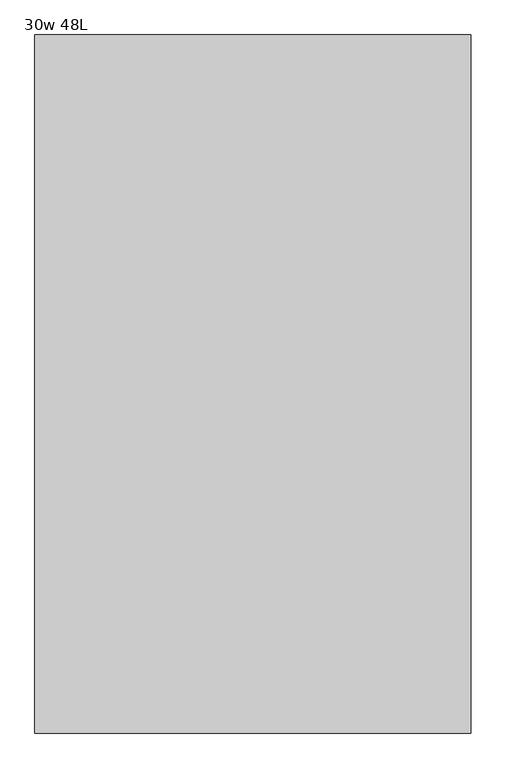
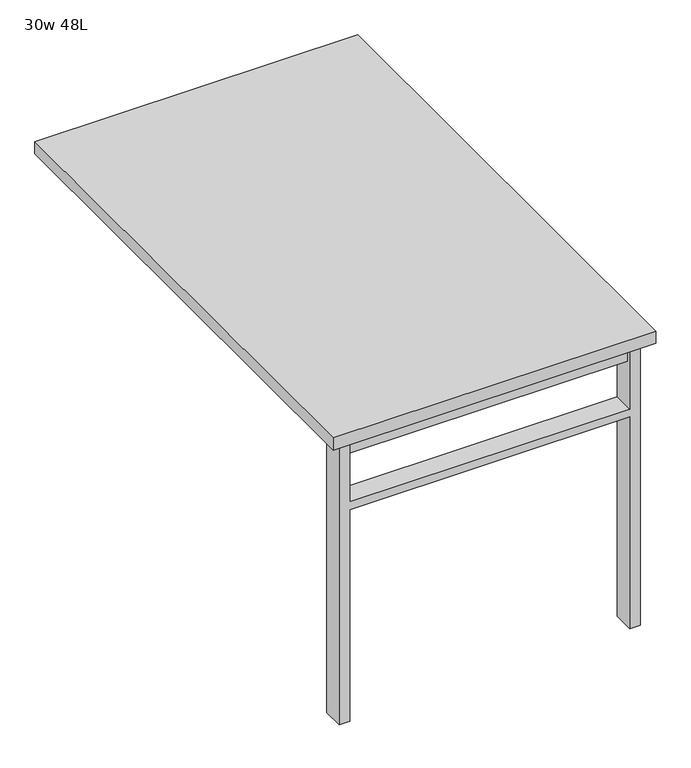
"""IFC4 building model written with IfcOpenShell, lengths in millimetres: furniture geometry, 30w 48L."""

from ifc_helpers import new_model, si_unit, frame, origin, place, context, project, spatial, polyline, outline, extrude, source, transform, mapped, element, save


def furniture_30w_48l_693cc921(model_context):
    return source(origin(), model_context, "Body", "SweptSolid", [
        extrude(outline(polyline([(-330.2, -549.275), (330.2, -549.275), (330.2, -581.025), (-330.2, -581.025), (-330.2, -549.275)])), frame((0.0, 0.0, 661.9875), z_axis=(0.0, 0.0, 1.0), x_axis=(1.0, 0.0, 0.0)), (0.0, 0.0, 1.0), 44.45),
        extrude(outline(polyline([(528.6375, 330.2), (0.0, 330.2), (0.0, 355.6), (706.4375, 355.6), (706.4375, 330.2), (547.6875, 330.2), (547.6875, -330.2), (706.4375, -330.2), (706.4375, -355.6), (0.0, -355.6), (0.0, -330.2), (528.6375, -330.2), (528.6375, 330.2)])), frame((0.0, -590.55, 0.0), z_axis=(0.0, 1.0, 0.0), x_axis=(0.0, 0.0, 1.0)), (0.0, 0.0, 1.0), 50.8),
        extrude(outline(polyline([(-381.0, -609.6), (-381.0, 609.6), (381.0, 609.6), (381.0, -609.6), (-381.0, -609.6)])), frame((0.0, 0.0, 706.4375), z_axis=(0.0, 0.0, 1.0), x_axis=(1.0, 0.0, 0.0)), (0.0, 0.0, 1.0), 30.1625),
    ])


if __name__ == "__main__":
    model = new_model("IFC4")
    model_context = context("Model", 3, world=origin())
    ifc_project = project(units=[si_unit("LENGTHUNIT", "METRE", prefix="MILLI")], contexts=[model_context])
    site = spatial("IfcSite", under=ifc_project)
    building = spatial("IfcBuilding", under=site)
    placement = place(None, origin())
    furniture_30w_48l_shape = furniture_30w_48l_693cc921(model_context)
    element("IfcFurniture", 1, ObjectType="30w 48L", at=placement, inside=building, context=model_context, shape_type="MappedRepresentation", body=[
        mapped(furniture_30w_48l_shape, transform((0.0, 0.0, 0.0), x_axis=(1.0, 0.0, 0.0), y_axis=(0.0, 1.0, 0.0), z_axis=(0.0, 0.0, 1.0))),
    ])
    save(model, "model.ifc")
